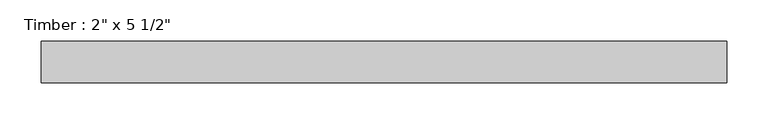
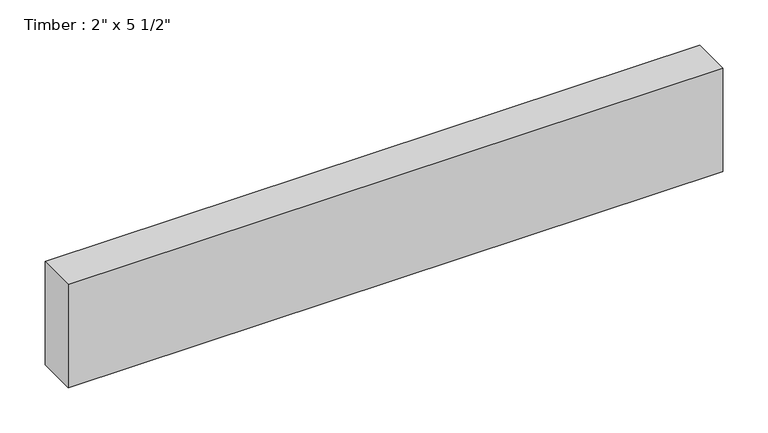
"""IFC4 building model written with IfcOpenShell, lengths in millimetres: beam geometry."""

from ifc_helpers import new_model, si_unit, frame, origin, place, context, project, spatial, polyline, outline, extrude, source, transform, mapped, element, save


def beam_e445e652(model_context):
    return source(origin(), model_context, "Body", "SweptSolid", [
        extrude(outline(polyline([(421.8664868, 25.4), (421.8664868, -25.4), (-414.0910899, -25.4), (-414.0910899, 25.4), (421.8664868, 25.4)])), frame((0.0, 0.0, -69.85), z_axis=(0.0, 0.0, 1.0), x_axis=(1.0, 0.0, 0.0)), (0.0, 0.0, 1.0), 139.7),
    ])


if __name__ == "__main__":
    model = new_model("IFC4")
    model_context = context("Model", 3, world=origin())
    ifc_project = project(units=[si_unit("LENGTHUNIT", "METRE", prefix="MILLI")], contexts=[model_context])
    site = spatial("IfcSite", under=ifc_project)
    building = spatial("IfcBuilding", under=site)
    placement = place(None, origin())
    beam_shape = beam_e445e652(model_context)
    element("IfcBeam", 1, ObjectType="Timber : 2\" x 5 1/2\"", at=placement, inside=building, context=model_context, shape_type="MappedRepresentation", body=[
        mapped(beam_shape, transform((0.0, 0.0, 0.0), x_axis=(1.0, 0.0, 0.0), y_axis=(0.0, 1.0, 0.0), z_axis=(0.0, 0.0, 1.0))),
    ])
    save(model, "model.ifc")
